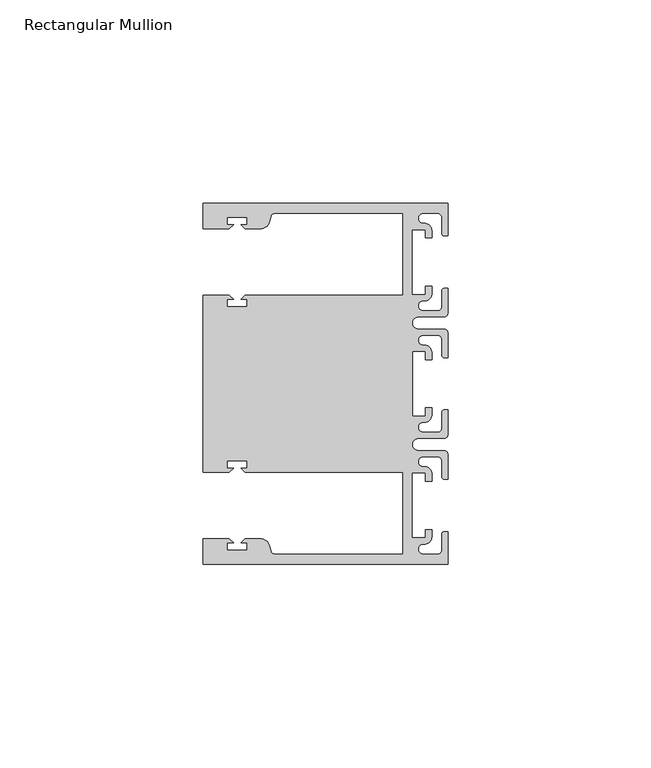
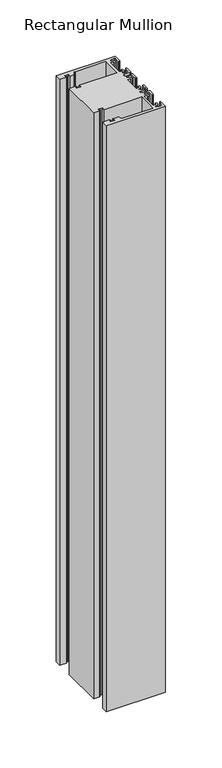
"""IFC4 building model written with IfcOpenShell, lengths in millimetres: member geometry, Rectangular Mullion."""

from ifc_helpers import new_model, si_unit, point, frame, frame_2d, origin, place, context, project, spatial, polyline, circle_curve, trimmed, segment, composite_curve, outline, extrude, source, transform, mapped, element, save


def rectangular_mullion_efeab03e(model_context):
    return source(origin(), model_context, "Body", "SweptSolid", [
        extrude(outline(composite_curve([segment(polyline([(0.0, 44.45), (0.0, 36.4500318), (-1.0, 36.4500318)]), True, "CONTINUOUS"), segment(trimmed(circle_curve(frame_2d((-1.0, 36.9500318)), 0.5), [point((-1.0, 36.4500318))], [point((-1.5, 36.9500318))], False, "CARTESIAN"), True, "CONTINUOUS"), segment(polyline([(-1.5, 36.9500318), (-1.5, 40.95)]), True, "CONTINUOUS"), segment(trimmed(circle_curve(frame_2d((-2.5, 40.95)), 1.0), [point((-1.5, 40.95))], [point((-2.5, 41.95))], True, "CARTESIAN"), True, "CONTINUOUS"), segment(polyline([(-2.5, 41.95), (-6.0499986, 41.95)]), True, "CONTINUOUS"), segment(trimmed(circle_curve(frame_2d((-6.0499986, 40.6999986)), 1.2500014), [point((-6.0499986, 41.95))], [point((-5.9027291, 39.4587029))], True, "CARTESIAN"), True, "CONTINUOUS"), segment(trimmed(circle_curve(frame_2d((-5.7186029, 37.7499972)), 1.7185975), [point((-5.9027291, 39.4587029))], [point((-4.0000054, 37.7499972))], False, "CARTESIAN"), True, "CONTINUOUS"), segment(polyline([(-4.0000054, 37.7499972), (-4.0000054, 35.9500318), (-5.5, 35.9500318), (-5.5, 37.9499972), (-8.8585786, 37.9499972), (-8.8585786, 21.9499956), (-5.5, 21.9499956), (-5.5, 23.9499611), (-3.9999946, 23.9499611), (-3.9999946, 22.0272972)]), True, "CONTINUOUS"), segment(trimmed(circle_curve(frame_2d((-5.7543344, 22.1865598)), 1.761554), [point((-3.9999946, 22.0272972))], [point((-6.0499986, 20.4499956))], False, "CARTESIAN"), True, "CONTINUOUS"), segment(trimmed(circle_curve(frame_2d((-6.0499986, 19.1999942)), 1.2500014), [point((-6.0499986, 20.4499956))], [point((-6.0499986, 17.9499929))], True, "CARTESIAN"), True, "CONTINUOUS"), segment(polyline([(-6.0499986, 17.9499929), (-2.5, 17.9499929)]), True, "CONTINUOUS"), segment(trimmed(circle_curve(frame_2d((-2.5, 18.9499929)), 1.0), [point((-2.5, 17.9499929))], [point((-1.5, 18.9499929))], True, "CARTESIAN"), True, "CONTINUOUS"), segment(polyline([(-1.5, 18.9499929), (-1.5, 22.9499611)]), True, "CONTINUOUS"), segment(trimmed(circle_curve(frame_2d((-1.0, 22.9499611)), 0.5), [point((-1.5, 22.9499611))], [point((-1.0, 23.4499611))], False, "CARTESIAN"), True, "CONTINUOUS"), segment(polyline([(-1.0, 23.4499611), (0.0, 23.4499611), (0.0, 17.4499929)]), True, "CONTINUOUS"), segment(trimmed(circle_curve(frame_2d((-1.0, 17.4499929)), 1.0), [point((0.0, 17.4499929))], [point((-1.0, 16.4499929))], False, "CARTESIAN"), True, "CONTINUOUS"), segment(polyline([(-1.0, 16.4499929), (-7.3, 16.4499929)]), True, "CONTINUOUS"), segment(trimmed(circle_curve(frame_2d((-7.3, 14.9499929)), 1.5), [point((-7.3, 16.4499929))], [point((-7.3046244, 13.45))], True, "CARTESIAN"), True, "CONTINUOUS"), segment(polyline([(-7.3046244, 13.45), (-1.0, 13.45)]), True, "CONTINUOUS"), segment(trimmed(circle_curve(frame_2d((-1.0, 12.45)), 1.0), [point((-1.0, 13.45))], [point((0.0, 12.45))], False, "CARTESIAN"), True, "CONTINUOUS"), segment(polyline([(0.0, 12.45), (0.0, 6.4500354), (-0.9999964, 6.4500354)]), True, "CONTINUOUS"), segment(trimmed(circle_curve(frame_2d((-0.9999964, 6.9500354)), 0.5), [point((-0.9999964, 6.4500354))], [point((-1.4999964, 6.9500354))], False, "CARTESIAN"), True, "CONTINUOUS"), segment(polyline([(-1.4999964, 6.9500354), (-1.4999964, 10.95)]), True, "CONTINUOUS"), segment(trimmed(circle_curve(frame_2d((-2.4999964, 10.95)), 1.0), [point((-1.4999964, 10.95))], [point((-2.4999964, 11.95))], True, "CARTESIAN"), True, "CONTINUOUS"), segment(polyline([(-2.4999964, 11.95), (-6.0499986, 11.95)]), True, "CONTINUOUS"), segment(trimmed(circle_curve(frame_2d((-6.0499986, 10.6999986)), 1.2500014), [point((-6.0499986, 11.95))], [point((-6.0499986, 9.4499972))], True, "CARTESIAN"), True, "CONTINUOUS"), segment(trimmed(circle_curve(frame_2d((-5.7298824, 7.7499972)), 1.729877), [point((-6.0499986, 9.4499972))], [point((-4.0000054, 7.7499972))], False, "CARTESIAN"), True, "CONTINUOUS"), segment(polyline([(-4.0000054, 7.7499972), (-4.0000054, 5.9500318), (-5.5, 5.9500318), (-5.5, 7.9499972), (-8.8, 7.9499972), (-8.8, -7.9499972), (-5.5, -7.9499972), (-5.5, -5.9500318), (-4.0000054, -5.9500318), (-4.0000054, -7.7499972)]), True, "CONTINUOUS"), segment(trimmed(circle_curve(frame_2d((-5.7298824, -7.7499972)), 1.729877), [point((-4.0000054, -7.7499972))], [point((-6.0499986, -9.4499972))], False, "CARTESIAN"), True, "CONTINUOUS"), segment(trimmed(circle_curve(frame_2d((-6.0499986, -10.6999986)), 1.2500014), [point((-6.0499986, -9.4499972))], [point((-6.0499986, -11.95))], True, "CARTESIAN"), True, "CONTINUOUS"), segment(polyline([(-6.0499986, -11.95), (-2.4999964, -11.95)]), True, "CONTINUOUS"), segment(trimmed(circle_curve(frame_2d((-2.4999964, -10.95)), 1.0), [point((-2.4999964, -11.95))], [point((-1.4999964, -10.95))], True, "CARTESIAN"), True, "CONTINUOUS"), segment(polyline([(-1.4999964, -10.95), (-1.4999964, -6.9500354)]), True, "CONTINUOUS"), segment(trimmed(circle_curve(frame_2d((-0.9999964, -6.9500354)), 0.5), [point((-1.4999964, -6.9500354))], [point((-0.9999964, -6.4500354))], False, "CARTESIAN"), True, "CONTINUOUS"), segment(polyline([(-0.9999964, -6.4500354), (0.0, -6.4500354), (0.0, -12.45)]), True, "CONTINUOUS"), segment(trimmed(circle_curve(frame_2d((-1.0, -12.45)), 1.0), [point((0.0, -12.45))], [point((-1.0, -13.45))], False, "CARTESIAN"), True, "CONTINUOUS"), segment(polyline([(-1.0, -13.45), (-7.3046244, -13.45)]), True, "CONTINUOUS"), segment(trimmed(circle_curve(frame_2d((-7.3, -14.9499929)), 1.5), [point((-7.3046244, -13.45))], [point((-7.3, -16.4499929))], True, "CARTESIAN"), True, "CONTINUOUS"), segment(polyline([(-7.3, -16.4499929), (-1.0, -16.4499929)]), True, "CONTINUOUS"), segment(trimmed(circle_curve(frame_2d((-1.0, -17.4499929)), 1.0), [point((-1.0, -16.4499929))], [point((0.0, -17.4499929))], False, "CARTESIAN"), True, "CONTINUOUS"), segment(polyline([(0.0, -17.4499929), (0.0, -23.4499611), (-1.0, -23.4499611)]), True, "CONTINUOUS"), segment(trimmed(circle_curve(frame_2d((-1.0, -22.9499611)), 0.5), [point((-1.0, -23.4499611))], [point((-1.5, -22.9499611))], False, "CARTESIAN"), True, "CONTINUOUS"), segment(polyline([(-1.5, -22.9499611), (-1.5, -18.9499929)]), True, "CONTINUOUS"), segment(trimmed(circle_curve(frame_2d((-2.5, -18.9499929)), 1.0), [point((-1.5, -18.9499929))], [point((-2.5, -17.9499929))], True, "CARTESIAN"), True, "CONTINUOUS"), segment(polyline([(-2.5, -17.9499929), (-6.0499986, -17.9499929)]), True, "CONTINUOUS"), segment(trimmed(circle_curve(frame_2d((-6.0499986, -19.1999942)), 1.2500014), [point((-6.0499986, -17.9499929))], [point((-6.0499986, -20.4499956))], True, "CARTESIAN"), True, "CONTINUOUS"), segment(trimmed(circle_curve(frame_2d((-5.7543344, -22.1865598)), 1.761554), [point((-6.0499986, -20.4499956))], [point((-3.9999946, -22.0272972))], False, "CARTESIAN"), True, "CONTINUOUS"), segment(polyline([(-3.9999946, -22.0272972), (-3.9999946, -23.9499611), (-5.5, -23.9499611), (-5.5, -21.9499956), (-8.8585786, -21.9499956), (-8.8585786, -37.9499972), (-5.5, -37.9499972), (-5.5, -35.9500318), (-4.0000054, -35.9500318), (-4.0000054, -37.7499972)]), True, "CONTINUOUS"), segment(trimmed(circle_curve(frame_2d((-5.7186029, -37.7499972)), 1.7185975), [point((-4.0000054, -37.7499972))], [point((-5.9027291, -39.4587029))], False, "CARTESIAN"), True, "CONTINUOUS"), segment(trimmed(circle_curve(frame_2d((-6.0499986, -40.6999986)), 1.2500014), [point((-5.9027291, -39.4587029))], [point((-6.0499986, -41.95))], True, "CARTESIAN"), True, "CONTINUOUS"), segment(polyline([(-6.0499986, -41.95), (-2.5, -41.95)]), True, "CONTINUOUS"), segment(trimmed(circle_curve(frame_2d((-2.5, -40.95)), 1.0), [point((-2.5, -41.95))], [point((-1.5, -40.95))], True, "CARTESIAN"), True, "CONTINUOUS"), segment(polyline([(-1.5, -40.95), (-1.5, -36.9500318)]), True, "CONTINUOUS"), segment(trimmed(circle_curve(frame_2d((-1.0, -36.9500318)), 0.5), [point((-1.5, -36.9500318))], [point((-1.0, -36.4500318))], False, "CARTESIAN"), True, "CONTINUOUS"), segment(polyline([(-1.0, -36.4500318), (0.0, -36.4500318), (0.0, -44.45), (-60.325, -44.45), (-60.325, -38.1499897), (-53.8507531, -38.1499897), (-52.8507405, -39.1500023), (-54.4249778, -39.1500023), (-54.4249778, -40.9498819), (-49.4249831, -40.9498819), (-49.4249831, -39.1500023), (-50.999256, -39.1500023), (-49.9992503, -38.1499966), (-46.3137853, -38.1499966)]), True, "CONTINUOUS"), segment(trimmed(circle_curve(frame_2d((-46.3137853, -40.6499966)), 2.5), [point((-46.3137853, -38.1499966))], [point((-43.8989707, -40.002949))], False, "CARTESIAN"), True, "CONTINUOUS"), segment(polyline([(-43.8989707, -40.002949), (-43.5758588, -41.2088192)]), True, "CONTINUOUS"), segment(trimmed(circle_curve(frame_2d((-42.6099329, -40.9500001)), 1.0), [point((-43.5758588, -41.2088192))], [point((-42.6099329, -41.9500001))], True, "CARTESIAN"), True, "CONTINUOUS"), segment(polyline([(-42.6099329, -41.9500001), (-11.1125, -41.95), (-11.1125, -21.7499959), (-49.9992434, -21.7499959), (-50.999256, -20.7499834), (-49.4250186, -20.7499834), (-49.4250186, -18.949936), (-54.4250134, -18.949936), (-54.4250134, -20.7499834), (-52.8507405, -20.7499834), (-53.8507562, -21.749999), (-60.325, -21.749999), (-60.325, 21.749999), (-53.8507562, 21.749999), (-52.8507405, 20.7499834), (-54.4250134, 20.7499834), (-54.4250134, 18.949936), (-49.4250186, 18.949936), (-49.4250186, 20.7499834), (-50.999256, 20.7499834), (-49.9992434, 21.7499959), (-11.1124977, 21.7499959), (-11.1124977, 41.95), (-42.6099329, 41.95)]), True, "CONTINUOUS"), segment(trimmed(circle_curve(frame_2d((-42.6099329, 40.9500001)), 1.0), [point((-42.6099329, 41.95))], [point((-43.5758588, 41.2088192))], True, "CARTESIAN"), True, "CONTINUOUS"), segment(polyline([(-43.5758588, 41.2088192), (-43.8989707, 40.002949)]), True, "CONTINUOUS"), segment(trimmed(circle_curve(frame_2d((-46.3137853, 40.6499966)), 2.5), [point((-43.8989707, 40.002949))], [point((-46.3137853, 38.1499966))], False, "CARTESIAN"), True, "CONTINUOUS"), segment(polyline([(-46.3137853, 38.1499966), (-49.9992503, 38.1499966), (-50.999256, 39.1500023), (-49.4249831, 39.1500023), (-49.4249831, 40.9498819), (-54.4249778, 40.9498819), (-54.4249778, 39.1500023), (-52.8507405, 39.1500023), (-53.8507531, 38.1499897), (-60.3249977, 38.1499897), (-60.3249977, 44.45), (0.0, 44.45)]), True, "CONTINUOUS")], self_intersect=False)), frame((0.0, 0.0, -635.0), z_axis=(0.0, 0.0, 1.0), x_axis=(1.0, 0.0, 0.0)), (0.0, 0.0, 1.0), 635.0),
    ])


if __name__ == "__main__":
    model = new_model("IFC4")
    model_context = context("Model", 3, world=origin())
    ifc_project = project(units=[si_unit("LENGTHUNIT", "METRE", prefix="MILLI")], contexts=[model_context])
    site = spatial("IfcSite", under=ifc_project)
    building = spatial("IfcBuilding", under=site)
    placement = place(None, origin())
    rectangular_mullion_shape = rectangular_mullion_efeab03e(model_context)
    element("IfcMember", 1, ObjectType="Rectangular Mullion", at=placement, inside=building, context=model_context, shape_type="MappedRepresentation", body=[
        mapped(rectangular_mullion_shape, transform((0.0, 0.0, 0.0), x_axis=(1.0, 0.0, 0.0), y_axis=(0.0, 1.0, 0.0), z_axis=(0.0, 0.0, 1.0))),
    ])
    save(model, "model.ifc")
